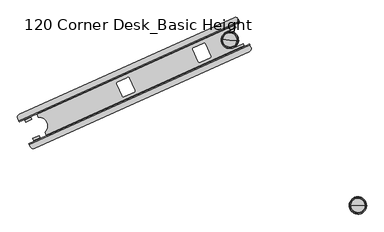
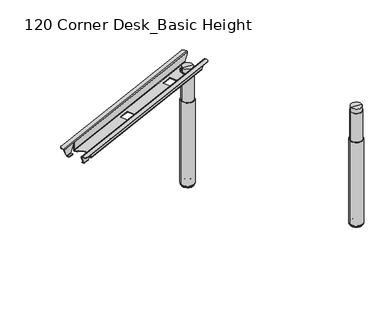
"""IFC4 building model written with IfcOpenShell, lengths in millimetres: furniture geometry, 120 Corner Desk_Basic Height."""

from ifc_helpers import new_model, si_unit, point, frame, origin, place, context, project, spatial, polyline, circle_curve, ellipse_curve, trimmed, source, transform, mapped, element, save
from ifc_brep_helpers import plane_surface, cylinder_surface, revolved_surface, advanced_brep


def furniture_120_corner_desk_basic_height_757629bd(model_context):
    return source(origin(), model_context, "Body", "AdvancedBrep", [
        advanced_brep(
        [(152.5074681, 221.3662878, 698.6714043), (150.4453506, 225.943718, 693.6399265), (150.4453506, 225.943718, 689.0971902), (151.6728418, 223.2189677, 689.0971902), (151.6728418, 223.2189677, 693.6399265), (152.5074681, 221.3662878, 695.6719265), (156.1827463, 213.208009, 695.6719265), (156.1827463, 213.208009, 698.6714043), (110.4369016, 314.7533439, 693.6399265), (108.3747841, 319.3307741, 698.6714043), (104.6994573, 327.489161, 698.6714043), (104.6994573, 327.489161, 695.6719265), (108.3747841, 319.3307741, 695.6719265), (109.2094105, 317.4780942, 693.6399265), (109.2094105, 317.4780942, 689.0971902), (110.4369016, 314.7533439, 689.0971902), (1048.6649841, 625.0823475, 695.6719265), (1047.8303578, 626.9350274, 693.6399265), (1047.8303578, 626.9350274, 689.0971902), (1046.6028666, 629.6597777, 689.0971902), (1046.6028666, 629.6597777, 693.6399265), (1048.6649841, 625.0823475, 698.6714043), (1052.3402623, 616.9240687, 698.6714043), (1052.3402623, 616.9240687, 695.6719265), (1005.3669265, 721.1941539, 693.6399265), (1004.5323002, 723.0468338, 695.6719265), (1000.8569733, 731.2052207, 695.6719265), (1000.8569733, 731.2052207, 698.6714043), (1004.5323002, 723.0468338, 698.6714043), (1006.5944177, 718.4694036, 693.6399265), (1006.5944177, 718.4694036, 689.0971902), (1005.3669265, 721.1941539, 689.0971902), (223.5280731, 253.3608404, 695.6719265), (225.2879288, 249.4543627, 695.6719265), (226.0440324, 249.7949849, 695.6719265), (224.2841767, 253.7014626, 695.6719265), (1045.8964031, 600.0919036, 695.6719265), (172.9784101, 206.8451738, 695.6719265), (179.3953854, 351.325325, 695.6719265), (111.0622924, 344.284825, 695.6719265), (984.0613093, 737.5680558, 695.6719265), (180.151489, 351.6659473, 695.6719265), (178.3915846, 355.5725331, 695.6719265), (177.635481, 355.2319108, 695.6719265), (172.9784101, 206.8451738, 698.6714043), (1045.8964031, 600.0919036, 698.6714043), (984.0613093, 737.5680558, 698.6714043), (111.0622924, 344.284825, 698.6714043), (222.222059, 258.2788928, 693.6399265), (222.7856715, 257.0278019, 697.0932388), (220.3849808, 257.451295, 693.6399265), (1026.6854753, 620.6870574, 651.2602168), (222.222059, 258.2788928, 651.2602168), (197.8400055, 247.2948566, 651.2602168), (170.3627419, 234.9164383, 651.2602168), (197.1799507, 247.2441877, 650.1931133), (195.9353789, 249.2879574, 648.6513268), (170.1185421, 237.657556, 648.6513268), (170.832117, 235.3746213, 650.1930164), (221.1543278, 260.6490122, 648.6513268), (1026.0313015, 620.6390853, 650.1930164), (1024.7942127, 622.6861787, 648.6513268), (191.8507602, 258.354878, 648.6513268), (166.0339233, 246.7244777, 648.6513268), (162.1469247, 324.290607, 648.6513268), (158.0623891, 333.3573428, 648.6513268), (132.2455555, 321.7269429, 648.6513268), (136.3300903, 312.6602079, 648.6513268), (183.2813379, 344.7183976, 648.6513268), (188.3144634, 333.546009, 648.6513268), (216.1211192, 271.8215854, 648.6513268), (1020.7095939, 631.7531004, 648.6513268), (981.188778, 613.949099, 648.6513268), (951.4849425, 679.884828, 648.6513268), (991.0057609, 697.6888306, 648.6513268), (986.9212261, 706.7555655, 648.6513268), (557.470799, 491.9835454, 648.6513268), (579.9181224, 442.1556156, 648.6513268), (577.3729886, 435.4373499, 648.6513268), (536.5402032, 417.0423104, 648.6513268), (529.8219375, 419.5874441, 648.6513268), (507.3746141, 469.415374, 648.6513268), (509.9197479, 476.1336397, 648.6513268), (550.7525333, 494.5286792, 648.6513268), (866.7635816, 631.3189569, 648.6513268), (889.210905, 581.491027, 648.6513268), (886.6657712, 574.7727613, 648.6513268), (845.8329857, 556.3777218, 648.6513268), (839.11472, 558.9228556, 648.6513268), (816.6673967, 608.7507855, 648.6513268), (819.2125305, 615.4690512, 648.6513268), (860.0453159, 633.8640907, 648.6513268), (157.3562616, 335.6436799, 650.1931133), (157.8315531, 336.1044809, 651.2602168), (130.3542929, 323.7260642, 651.2602168), (131.0084668, 323.7740363, 650.1930164), (182.2136067, 347.0885171, 651.2602168), (986.2076512, 709.0385003, 650.1930164), (986.6770264, 709.4966833, 651.2602168), (180.3765285, 346.2609193, 693.6399265), (182.2136067, 347.0885171, 693.6399265), (181.6499943, 348.339608, 697.0932388), (179.1490372, 348.9856696, 693.6399265), (180.9861154, 349.8132674, 693.6399265), (156.6040618, 338.8292312, 651.2602168), (129.1268017, 326.4508144, 651.2602168), (985.4495352, 712.2214336, 651.2602168), (180.9861154, 349.8132674, 651.2602168), (156.0786273, 338.4797362, 650.1931133), (157.5421859, 333.122993, 645.6722168), (132.751366, 321.9548089, 645.6722168), (129.7308226, 326.6101148, 650.1930164), (183.2813379, 344.7183976, 645.6722168), (984.9300071, 711.8745787, 650.1930164), (986.4154157, 706.5276996, 645.6722168), (191.3305569, 258.1205281, 645.6722168), (195.4151757, 249.0536076, 645.6722168), (170.6243526, 237.885422, 645.6722168), (166.5397337, 246.9523437, 645.6722168), (161.6267214, 324.0562572, 645.6722168), (136.8359008, 312.8880739, 645.6722168), (221.1543278, 260.6490122, 645.6722168), (216.1211192, 271.8215854, 645.6722168), (188.3144634, 333.546009, 645.6722168), (990.4999504, 697.4609646, 645.6722168), (951.4849425, 679.884828, 645.6722168), (981.188778, 613.949099, 645.6722168), (1020.2037834, 631.5252344, 645.6722168), (1024.2884023, 622.4583127, 645.6722168), (579.9181224, 442.1556156, 645.6722168), (557.470799, 491.9835454, 645.6722168), (550.7525333, 494.5286792, 645.6722168), (509.9197479, 476.1336397, 645.6722168), (507.3746141, 469.415374, 645.6722168), (529.8219375, 419.5874441, 645.6722168), (536.5402032, 417.0423104, 645.6722168), (577.3729886, 435.4373499, 645.6722168), (889.210905, 581.491027, 645.6722168), (866.7635816, 631.3189569, 645.6722168), (860.0453159, 633.8640907, 645.6722168), (819.2125305, 615.4690512, 645.6722168), (816.6673967, 608.7507855, 645.6722168), (839.11472, 558.9228556, 645.6722168), (845.8329857, 556.3777218, 645.6722168), (886.6657712, 574.7727613, 645.6722168), (198.457585, 244.4081315, 650.1931133), (199.0674967, 244.5701063, 651.2602168), (171.590233, 232.191688, 651.2602168), (172.1097612, 232.5385429, 650.1930164), (223.4495503, 255.5541425, 651.2602168), (1027.3089457, 617.8030068, 650.1930164), (1027.9129665, 617.9623071, 651.2602168), (221.6124721, 254.7265447, 693.6399265), (223.4495503, 255.5541425, 693.6399265), (178.3915846, 355.5725331, 697.0932388), (226.0440324, 249.7949849, 697.0932388)],
        [
            (0, 1, circle_curve(frame((152.5119912, 221.3562474, 693.6399265), z_axis=(-0.9117519339151808, -0.4107412944931736, 0.0), x_axis=(0.4107412944931736, -0.9117519339151808, 0.0)), 5.0314898)),
            (1, 2),
            (2, 3),
            (3, 4),
            (4, 5, circle_curve(frame((152.5074681, 221.3662878, 693.6399265), z_axis=(0.9117519339151808, 0.4107412944931736, 0.0), x_axis=(0.4107412944931736, -0.9117519339151808, 0.0)), 2.032)),
            (5, 6),
            (6, 7),
            (7, 0),
            (8, 9, circle_curve(frame((108.370261, 319.3408145, 693.6399265), z_axis=(-0.9117519339151808, -0.4107412944931736, 0.0), x_axis=(0.4107412944931736, -0.9117519339151808, 0.0)), 5.0314898)),
            (9, 10),
            (10, 11),
            (11, 12),
            (12, 13, circle_curve(frame((108.3747841, 319.3307741, 693.6399265), z_axis=(0.9117519339151808, 0.4107412944931736, 0.0), x_axis=(0.4107412944931736, -0.9117519339151808, 0.0)), 2.032)),
            (13, 14),
            (14, 15),
            (15, 8),
            (16, 17, circle_curve(frame((1048.6649841, 625.0823475, 693.6399265), z_axis=(-0.9117519339151808, -0.4107412944931736, 0.0), x_axis=(0.4107412944931736, -0.9117519339151808, 0.0)), 2.032)),
            (17, 18),
            (18, 19),
            (19, 20),
            (20, 21, circle_curve(frame((1048.6695073, 625.0723071, 693.6399265), z_axis=(0.9117519339151808, 0.4107412944931736, 0.0), x_axis=(0.4107412944931736, -0.9117519339151808, 0.0)), 5.0314898)),
            (21, 22),
            (22, 23),
            (23, 16),
            (24, 25, circle_curve(frame((1004.5323002, 723.0468338, 693.6399265), z_axis=(-0.9117519339151808, -0.4107412944931736, 0.0), x_axis=(0.4107412944931736, -0.9117519339151808, 0.0)), 2.032)),
            (25, 26),
            (26, 27),
            (27, 28),
            (28, 29, circle_curve(frame((1004.527777, 723.0568742, 693.6399265), z_axis=(0.9117519339151808, 0.4107412944931736, 0.0), x_axis=(0.4107412944931736, -0.9117519339151808, 0.0)), 5.0314898)),
            (29, 30),
            (30, 31),
            (31, 24),
            (5, 32),
            (32, 33),
            (33, 34),
            (34, 35),
            (35, 16),
            (23, 36, circle_curve(frame((1040.6799887, 611.6711532, 695.6719265), z_axis=(0.0, 0.0, -1.0), x_axis=(0.9968812328975415, -0.07891645897199012, 0.0)), 12.7)),
            (36, 37),
            (37, 6, circle_curve(frame((167.7619957, 218.4244233, 695.6719265), z_axis=(0.0, 0.0, -1.0), x_axis=(0.9968812328975415, -0.07891645897199012, 0.0)), 12.7)),
            (38, 12),
            (11, 39, circle_curve(frame((116.2787068, 332.7055754, 695.6719265), z_axis=(0.0, 0.0, -1.0), x_axis=(0.9968812328975419, -0.07891645897198368, 0.0)), 12.7)),
            (39, 40),
            (40, 26, circle_curve(frame((989.2777237, 725.9888062, 695.6719265), z_axis=(0.0, 0.0, -1.0), x_axis=(0.9968812328975419, -0.07891645897198368, 0.0)), 12.7)),
            (25, 41),
            (41, 42),
            (42, 43),
            (43, 38),
            (21, 0),
            (7, 44, circle_curve(frame((167.7619957, 218.4244233, 698.6714043), z_axis=(0.0, 0.0, 1.0), x_axis=(0.9968812328975415, -0.07891645897199012, 0.0)), 12.7)),
            (44, 45),
            (45, 22, circle_curve(frame((1040.6799887, 611.6711532, 698.6714043), z_axis=(0.0, 0.0, 1.0), x_axis=(0.9968812328975415, -0.07891645897199012, 0.0)), 12.7)),
            (9, 28),
            (27, 46, circle_curve(frame((989.2777237, 725.9888062, 698.6714043), z_axis=(0.0, 0.0, 1.0), x_axis=(0.9968812328975419, -0.07891645897198368, 0.0)), 12.7)),
            (46, 47),
            (47, 10, circle_curve(frame((116.2787068, 332.7055754, 698.6714043), z_axis=(0.0, 0.0, 1.0), x_axis=(0.9968812328975419, -0.07891645897198368, 0.0)), 12.7)),
            (20, 48),
            (48, 49, circle_curve(frame((224.2886997, 253.6914222, 693.6399265), z_axis=(0.9117519339151808, 0.4107412944931736, 0.0), x_axis=(0.4107412944931736, -0.9117519339151808, 0.0)), 5.0314898)),
            (49, 50, ellipse_curve(frame((222.4516216, 252.8638245, 693.6399265), z_axis=(-0.7875068062240813, -0.3547693028906139, 0.5039561209840149), x_axis=(-0.4594829911420227, -0.2069955379433077, -0.8637292562619033)), 5.825309, 5.0314898)),
            (50, 1),
            (19, 51),
            (51, 52),
            (52, 48),
            (50, 53),
            (53, 54),
            (54, 2),
            (53, 55, ellipse_curve(frame((196.7672998, 249.6627351, 651.250866), z_axis=(0.7875068062240813, 0.3547693028906139, -0.5039561209840149), x_axis=(0.4594829911420227, 0.2069955379433077, 0.8637292562619033)), 3.009669, 2.5995392)),
            (55, 56, ellipse_curve(frame((196.3893027, 249.4924486, 651.250866), z_axis=(0.8954771252473509, 0.40340958702533053, -0.1880995036006008), x_axis=(0.1715001666378758, 0.07726005499618337, 0.9821499767067999)), 2.6467843, 2.5995392)),
            (56, 57),
            (57, 58, ellipse_curve(frame((169.6771774, 237.4587227, 651.250866), z_axis=(-0.8963428695003585, -0.4037995608601031, -0.18307204850837175), x_axis=(0.16691629427331295, 0.07519525018986079, -0.9830994990614881)), 2.6442279, 2.5995392)),
            (58, 54, ellipse_curve(frame((169.2999329, 237.2887753, 651.250866), z_axis=(-0.7896003367201478, -0.3557123954143953, -0.4999999999999821), x_axis=(0.45587596695757215, 0.20537064724658396, -0.866025403784449)), 3.0016893, 2.5995392)),
            (59, 52, circle_curve(frame((221.1543278, 260.6490122, 651.250866), z_axis=(-0.9117519339151808, -0.4107412944931736, 0.0), x_axis=(0.4107412944931736, -0.9117519339151808, 0.0)), 2.5995392)),
            (51, 60, ellipse_curve(frame((1025.6128219, 623.0549595, 651.250866), z_axis=(0.789600336720151, 0.3557123954143941, -0.49999999999997835), x_axis=(0.4558759669575663, 0.20537064724658588, 0.8660254037844516)), 3.0016893, 2.5995392)),
            (60, 61, ellipse_curve(frame((1025.2355775, 622.8850121, 651.250866), z_axis=(0.896342869500359, 0.4037995608601001, -0.1830720485083751), x_axis=(0.16691629427331048, 0.075195250189877, 0.9830994990614875)), 2.6442279, 2.5995392)),
            (61, 59),
            (56, 62),
            (62, 63),
            (63, 57),
            (64, 65),
            (65, 66),
            (66, 67),
            (67, 64),
            (68, 69),
            (69, 70, circle_curve(frame((190.6245185, 297.4610649, 648.6513268), z_axis=(0.0, 0.0, -1.0), x_axis=(-0.6014092278380982, -0.7989411371754384, 0.0)), 36.1588101)),
            (70, 59),
            (61, 71),
            (71, 72),
            (72, 73, circle_curve(frame((966.3368603, 646.9169635, 648.6513268), z_axis=(0.0, 0.0, -1.0), x_axis=(0.9968812328975419, -0.07891645897198368, 0.0)), 36.1588101)),
            (73, 74),
            (74, 75),
            (75, 68),
            (76, 77),
            (77, 78, circle_curve(frame((575.2864226, 440.0690496, 648.6513268), z_axis=(0.0, 0.0, -1.0), x_axis=(0.9968812328975419, -0.07891645897198368, 0.0)), 5.08)),
            (78, 79),
            (79, 80, circle_curve(frame((534.4536372, 421.6740101, 648.6513268), z_axis=(0.0, 0.0, -1.0), x_axis=(0.9968812328975419, -0.07891645897198368, 0.0)), 5.08)),
            (80, 81),
            (81, 82, circle_curve(frame((512.0063138, 471.50194, 648.6513268), z_axis=(0.0, 0.0, -1.0), x_axis=(0.9968812328975419, -0.07891645897198368, 0.0)), 5.08)),
            (82, 83),
            (83, 76, circle_curve(frame((552.8390992, 489.8969795, 648.6513268), z_axis=(0.0, 0.0, -1.0), x_axis=(0.9968812328975419, -0.07891645897198368, 0.0)), 5.08)),
            (84, 85),
            (85, 86, circle_curve(frame((884.5792052, 579.4044611, 648.6513268), z_axis=(0.0, 0.0, -1.0), x_axis=(0.9968812328975419, -0.07891645897198368, 0.0)), 5.08)),
            (86, 87),
            (87, 88, circle_curve(frame((843.7464198, 561.0094216, 648.6513268), z_axis=(0.0, 0.0, -1.0), x_axis=(0.9968812328975419, -0.07891645897198368, 0.0)), 5.08)),
            (88, 89),
            (89, 90, circle_curve(frame((821.2990964, 610.8373514, 648.6513268), z_axis=(0.0, 0.0, -1.0), x_axis=(0.9968812328975419, -0.07891645897198368, 0.0)), 5.08)),
            (90, 91),
            (91, 84, circle_curve(frame((862.1318818, 629.2323909, 648.6513268), z_axis=(0.0, 0.0, -1.0), x_axis=(0.9968812328975419, -0.07891645897198368, 0.0)), 5.08)),
            (92, 93, ellipse_curve(frame((158.89431, 333.7321205, 651.250866), z_axis=(0.7875068062240813, 0.3547693028906139, -0.5039561209840149), x_axis=(0.4594829911420227, 0.2069955379433077, 0.8637292562619033)), 3.009669, 2.5995392)),
            (93, 94),
            (94, 95, ellipse_curve(frame((131.4269463, 321.3581621, 651.250866), z_axis=(-0.7896003367201478, -0.3557123954143953, -0.4999999999999821), x_axis=(0.45587596695757215, 0.20537064724658396, -0.866025403784449)), 3.0016893, 2.5995392)),
            (95, 66, ellipse_curve(frame((131.8041908, 321.5281095, 651.250866), z_axis=(-0.8963428695003585, -0.4037995608601031, -0.18307204850837175), x_axis=(0.16691629427331295, 0.07519525018986079, -0.9830994990614881)), 2.6442279, 2.5995392)),
            (65, 92, ellipse_curve(frame((158.5163129, 333.561834, 651.250866), z_axis=(0.8954771252473509, 0.40340958702533053, -0.1880995036006008), x_axis=(0.1715001666378758, 0.07726005499618337, 0.9821499767067999)), 2.6467843, 2.5995392)),
            (96, 68, circle_curve(frame((183.2813379, 344.7183976, 651.250866), z_axis=(-0.9117519339151808, -0.4107412944931736, 0.0), x_axis=(0.4107412944931736, -0.9117519339151808, 0.0)), 2.5995392)),
            (75, 97, ellipse_curve(frame((987.3625908, 706.9543989, 651.250866), z_axis=(0.896342869500359, 0.4037995608601001, -0.1830720485083751), x_axis=(0.16691629427331048, 0.075195250189877, 0.9830994990614875)), 2.6442279, 2.5995392)),
            (97, 98, ellipse_curve(frame((987.7398353, 707.1243463, 651.250866), z_axis=(0.789600336720151, 0.3557123954143941, -0.49999999999997835), x_axis=(0.4558759669575663, 0.20537064724658588, 0.8660254037844516)), 3.0016893, 2.5995392)),
            (98, 96),
            (99, 8),
            (15, 94),
            (93, 99),
            (29, 100),
            (100, 96),
            (98, 30),
            (99, 101, ellipse_curve(frame((178.3098876, 350.8483898, 693.6399265), z_axis=(-0.7875068062240813, -0.3547693028906139, 0.5039561209840149), x_axis=(-0.4594829911420227, -0.2069955379433077, -0.8637292562619033)), 5.825309, 5.0314898)),
            (101, 100, circle_curve(frame((180.146966, 351.6759877, 693.6399265), z_axis=(0.9117519339151808, 0.4107412944931736, 0.0), x_axis=(0.4107412944931736, -0.9117519339151808, 0.0)), 5.0314898)),
            (38, 102, ellipse_curve(frame((178.3144108, 350.8383495, 693.6399265), z_axis=(0.7875068062240813, 0.3547693028906139, -0.5039561209840149), x_axis=(0.4594829911420227, 0.2069955379433077, 0.8637292562619033)), 2.3525891, 2.032)),
            (102, 13),
            (24, 103),
            (103, 41, circle_curve(frame((180.1514891, 351.6659473, 693.6399265), z_axis=(-0.9117519339151808, -0.4107412944931736, 0.0), x_axis=(0.4107412944931736, -0.9117519339151808, 0.0)), 2.032)),
            (102, 104),
            (104, 105),
            (105, 14),
            (31, 106),
            (106, 107),
            (107, 103),
            (104, 108, ellipse_curve(frame((158.8992844, 333.7343614, 651.2602168), z_axis=(-0.7875068062240813, -0.3547693028906139, 0.5039561209840149), x_axis=(-0.4594829911420227, -0.2069955379433077, -0.8637292562619033)), 6.4696199, 5.588)),
            (108, 109, ellipse_curve(frame((158.5179457, 333.5625696, 651.2602168), z_axis=(-0.8954771252473509, -0.40340958702533053, 0.1880995036006008), x_axis=(-0.1715001666378758, -0.07726005499618337, -0.9821499767067999)), 5.6895588, 5.588)),
            (109, 110),
            (110, 111, ellipse_curve(frame((131.8026032, 321.5273943, 651.2602168), z_axis=(0.8963428695003585, 0.4037995608601031, 0.18307204850837175), x_axis=(-0.16691629427331295, -0.07519525018986079, 0.9830994990614881)), 5.6840635, 5.588)),
            (111, 105, ellipse_curve(frame((131.4220241, 321.3559446, 651.2602168), z_axis=(0.7896003367201478, 0.3557123954143953, 0.4999999999999821), x_axis=(-0.45587596695757215, -0.20537064724658396, 0.866025403784449)), 6.4524666, 5.588)),
            (112, 107, circle_curve(frame((183.2813379, 344.7183976, 651.2602168), z_axis=(0.9117519339151808, 0.4107412944931736, 0.0), x_axis=(0.4107412944931736, -0.9117519339151808, 0.0)), 5.588)),
            (106, 113, ellipse_curve(frame((987.7447576, 707.1265638, 651.2602168), z_axis=(-0.789600336720151, -0.3557123954143941, 0.49999999999997835), x_axis=(-0.4558759669575663, -0.20537064724658588, -0.8660254037844516)), 6.4524666, 5.588)),
            (113, 114, ellipse_curve(frame((987.3641785, 706.9551141, 651.2602168), z_axis=(-0.896342869500359, -0.4037995608601001, 0.1830720485083751), x_axis=(-0.16691629427331048, -0.075195250189877, -0.9830994990614875)), 5.6840635, 5.588)),
            (114, 112),
            (115, 116),
            (116, 117),
            (117, 118),
            (118, 115),
            (109, 119),
            (119, 120),
            (120, 110),
            (121, 122),
            (122, 123, circle_curve(frame((190.6245185, 297.4610649, 645.6722168), z_axis=(0.0, 0.0, 1.0), x_axis=(-0.6014092278380982, -0.7989411371754384, 0.0)), 36.1588101)),
            (123, 112),
            (114, 124),
            (124, 125),
            (125, 126, circle_curve(frame((966.3368603, 646.9169635, 645.6722168), z_axis=(0.0, 0.0, 1.0), x_axis=(0.9968812328975419, -0.07891645897198368, 0.0)), 36.1588101)),
            (126, 127),
            (127, 128),
            (128, 121),
            (129, 130),
            (130, 131, circle_curve(frame((552.8390992, 489.8969795, 645.6722168), z_axis=(0.0, 0.0, 1.0), x_axis=(0.9968812328975419, -0.07891645897198368, 0.0)), 5.08)),
            (131, 132),
            (132, 133, circle_curve(frame((512.0063138, 471.50194, 645.6722168), z_axis=(0.0, 0.0, 1.0), x_axis=(0.9968812328975419, -0.07891645897198368, 0.0)), 5.08)),
            (133, 134),
            (134, 135, circle_curve(frame((534.4536372, 421.6740101, 645.6722168), z_axis=(0.0, 0.0, 1.0), x_axis=(0.9968812328975419, -0.07891645897198368, 0.0)), 5.08)),
            (135, 136),
            (136, 129, circle_curve(frame((575.2864226, 440.0690496, 645.6722168), z_axis=(0.0, 0.0, 1.0), x_axis=(0.9968812328975419, -0.07891645897198368, 0.0)), 5.08)),
            (137, 138),
            (138, 139, circle_curve(frame((862.1318818, 629.2323909, 645.6722168), z_axis=(0.0, 0.0, 1.0), x_axis=(0.9968812328975419, -0.07891645897198368, 0.0)), 5.08)),
            (139, 140),
            (140, 141, circle_curve(frame((821.2990964, 610.8373514, 645.6722168), z_axis=(0.0, 0.0, 1.0), x_axis=(0.9968812328975419, -0.07891645897198368, 0.0)), 5.08)),
            (141, 142),
            (142, 143, circle_curve(frame((843.7464198, 561.0094216, 645.6722168), z_axis=(0.0, 0.0, 1.0), x_axis=(0.9968812328975419, -0.07891645897198368, 0.0)), 5.08)),
            (143, 144),
            (144, 137, circle_curve(frame((884.5792052, 579.4044611, 645.6722168), z_axis=(0.0, 0.0, 1.0), x_axis=(0.9968812328975419, -0.07891645897198368, 0.0)), 5.08)),
            (145, 146, ellipse_curve(frame((196.7722742, 249.664976, 651.2602168), z_axis=(-0.7875068062240813, -0.3547693028906139, 0.5039561209840149), x_axis=(-0.4594829911420227, -0.2069955379433077, -0.8637292562619033)), 6.4696199, 5.588)),
            (146, 147),
            (147, 148, ellipse_curve(frame((169.2950107, 237.2865578, 651.2602168), z_axis=(0.7896003367201478, 0.3557123954143953, 0.4999999999999821), x_axis=(-0.45587596695757215, -0.20537064724658396, 0.866025403784449)), 6.4524666, 5.588)),
            (148, 117, ellipse_curve(frame((169.6755898, 237.4580074, 651.2602168), z_axis=(0.8963428695003585, 0.4037995608601031, 0.18307204850837175), x_axis=(-0.16691629427331295, -0.07519525018986079, 0.9830994990614881)), 5.6840635, 5.588)),
            (116, 145, ellipse_curve(frame((196.3909355, 249.4931842, 651.2602168), z_axis=(-0.8954771252473509, -0.40340958702533053, 0.1880995036006008), x_axis=(-0.1715001666378758, -0.07726005499618337, -0.9821499767067999)), 5.6895588, 5.588)),
            (149, 121, circle_curve(frame((221.154328, 260.6490123, 651.2602168), z_axis=(0.9117519339151808, 0.4107412944931736, 0.0), x_axis=(0.4107412944931736, -0.9117519339151808, 0.0)), 5.588)),
            (128, 150, ellipse_curve(frame((1025.2371651, 622.8857273, 651.2602168), z_axis=(-0.896342869500359, -0.4037995608601001, 0.1830720485083751), x_axis=(-0.16691629427331048, -0.075195250189877, -0.9830994990614875)), 5.6840635, 5.588)),
            (150, 151, ellipse_curve(frame((1025.6177442, 623.0571769, 651.2602168), z_axis=(-0.789600336720151, -0.3557123954143941, 0.49999999999997835), x_axis=(-0.4558759669575663, -0.20537064724658588, -0.8660254037844516)), 6.4524666, 5.588)),
            (151, 149),
            (152, 4),
            (3, 147),
            (146, 152),
            (17, 153),
            (153, 149),
            (151, 18),
            (152, 32, ellipse_curve(frame((222.4470985, 252.8738648, 693.6399265), z_axis=(0.7875068062240813, 0.3547693028906139, -0.5039561209840149), x_axis=(0.4594829911420227, 0.2069955379433077, 0.8637292562619033)), 2.3525891, 2.032)),
            (35, 153, circle_curve(frame((224.2841767, 253.7014626, 693.6399265), z_axis=(-0.9117519339151808, -0.4107412944931736, 0.0), x_axis=(0.4107412944931736, -0.9117519339151808, 0.0)), 2.032)),
            (92, 108),
            (43, 154),
            (154, 101),
            (145, 55),
            (49, 155),
            (155, 33),
            (154, 42),
            (123, 69),
            (70, 122),
            (34, 155),
            (64, 119),
            (115, 62),
            (118, 63),
            (67, 120),
            (125, 73),
            (72, 126),
            (71, 127),
            (124, 74),
            (129, 77),
            (76, 130),
            (83, 131),
            (82, 132),
            (81, 133),
            (80, 134),
            (79, 135),
            (78, 136),
            (137, 85),
            (84, 138),
            (91, 139),
            (90, 140),
            (89, 141),
            (88, 142),
            (87, 143),
            (86, 144),
            (46, 40),
            (39, 47),
            (45, 36),
            (37, 44),
            (111, 95),
            (58, 148),
            (150, 60),
            (97, 113),
        ],
        [
            plane_surface(frame((154.2673237, 217.45981, 695.6719265), z_axis=(-0.9117519339151808, -0.41074129449317354, 0.0), x_axis=(0.41074129449317354, -0.9117519339151808, 0.0))),
            plane_surface(frame((1050.4248397, 621.1758697, 695.6719265), z_axis=(0.9117519339151808, 0.41074129449317354, 0.0), x_axis=(-0.41074129449317354, 0.9117519339151808, 0.0))),
            plane_surface(frame((152.5074681, 221.3662878, 695.6719265), z_axis=(0.0, 0.0, -1.0000000000000002), x_axis=(0.9117519339151808, 0.4107412944931735, 0.0))),
            plane_surface(frame((154.2673237, 217.45981, 698.6714043), z_axis=(2.893674971938622e-12, -6.423298039809931e-12, 1.0), x_axis=(0.9117519339151807, 0.41074129449317354, 0.0))),
            cylinder_surface(frame((1048.6695073, 625.0723071, 693.6399265), z_axis=(-0.9117519339151808, -0.4107412944931736, 0.0), x_axis=(0.4107412944931736, -0.9117519339151808, 0.0)), 5.0314898),
            plane_surface(frame((150.4453506, 225.943718, 693.6399265), z_axis=(-0.41074129449317354, 0.9117519339151807, 0.0), x_axis=(0.9117519339151807, 0.41074129449317354, 0.0))),
            revolved_surface(polyline([(199.21792954401644, 247.91558840851178, 651.250866), (168.99927301153707, 234.30218147149964, 651.250866)]), (1045.5351354, 632.0298972, 651.250866), (0.9117519339151808, 0.4107412944931736, 0.0)),
            revolved_surface(polyline([(1028.0489580211945, 621.3012834527241, 651.250866), (222.22206587599624, 258.2788773517232, 651.250866)]), (1045.5351354, 632.0298972, 651.250866), (0.9117519339151808, 0.4107412944931736, 0.0)),
            plane_surface(frame((149.3776194, 228.3138375, 648.6513268), z_axis=(0.0, 0.0, 1.0), x_axis=(0.9117519339151807, 0.4107412944931735, 0.0))),
            revolved_surface(polyline([(161.34493972214204, 331.9849738570677, 651.250866), (131.12628637408773, 318.3715683546288, 651.250866)]), (1007.6621488, 716.0992841, 651.250866), (0.9117519339151808, 0.4107412944931736, 0.0)),
            revolved_surface(polyline([(990.175971383745, 705.3706703358532, 651.250866), (184.34907593911055, 342.34826274846694, 651.250866)]), (1007.6621488, 716.0992841, 651.250866), (0.9117519339151808, 0.4107412944931736, 0.0)),
            plane_surface(frame((110.4369016, 314.7533439, 651.2602168), z_axis=(0.41074129449317365, -0.9117519339151807, 0.0), x_axis=(0.9117519339151807, 0.41074129449317365, 0.0))),
            cylinder_surface(frame((1004.527777, 723.0568742, 693.6399265), z_axis=(-0.9117519339151808, -0.4107412944931736, 0.0), x_axis=(0.4107412944931736, -0.9117519339151808, 0.0)), 5.0314898),
            revolved_surface(polyline([(180.23001175101592, 349.47264509648863, 693.6399265), (109.20941043037578, 317.4780941259644, 693.6399265)]), (1004.5323002, 723.0468338, 693.6399265), (0.9117519339151808, 0.4107412944931736, 0.0)),
            revolved_surface(polyline([(1005.3669265128847, 721.194153871399, 693.6399265), (180.98611533592157, 349.8132673136541, 693.6399265)]), (1004.5323002, 723.0468338, 693.6399265), (0.9117519339151808, 0.4107412944931736, 0.0)),
            plane_surface(frame((109.2094105, 317.4780942, 693.6399265), z_axis=(-0.4107412944931735, 0.9117519339151807, 0.0), x_axis=(0.9117519339151807, 0.4107412944931735, 0.0))),
            cylinder_surface(frame((1007.6621488, 716.0992841, 651.2602168), z_axis=(-0.9117519339151808, -0.4107412944931736, 0.0), x_axis=(0.4107412944931736, -0.9117519339151808, 0.0)), 5.588),
            plane_surface(frame((111.5046328, 312.3832244, 645.6722168), z_axis=(0.0, 0.0, -1.0), x_axis=(0.9117519339151807, 0.4107412944931735, 0.0))),
            cylinder_surface(frame((1045.5351354, 632.0298972, 651.2602168), z_axis=(-0.9117519339151808, -0.4107412944931736, 0.0), x_axis=(0.4107412944931736, -0.9117519339151808, 0.0)), 5.588),
            plane_surface(frame((151.6728418, 223.2189677, 651.2602168), z_axis=(0.41074129449317354, -0.9117519339151807, 0.0), x_axis=(0.9117519339151807, 0.41074129449317354, 0.0))),
            revolved_surface(polyline([(224.3626994091145, 251.50816048949986, 693.6399265), (153.34209441103064, 219.51360786229912, 693.6399265)]), (1048.6649841, 625.0823475, 693.6399265), (0.9117519339151808, 0.4107412944931736, 0.0)),
            revolved_surface(polyline([(1049.4996104104102, 623.2296675702843, 693.6399265), (225.1188029084168, 251.8487826681013, 693.6399265)]), (1048.6649841, 625.0823475, 693.6399265), (0.9117519339151808, 0.4107412944931736, 0.0)),
            plane_surface(frame((146.3100196, 360.1638138, 650.1931133), z_axis=(0.7875068062240815, 0.354769302890614, -0.503956120984015), x_axis=(0.41074132932118534, -0.9117519182252735, 0.0))),
            plane_surface(frame((171.2597458, 371.4035858, 697.0932388), z_axis=(-0.9117519182252735, -0.41074132932118534, 0.0), x_axis=(0.41074132932118534, -0.9117519182252735, 0.0))),
            plane_surface(frame((145.0746262, 359.607273, 643.1182388), z_axis=(0.8954771252473511, 0.40340958702533064, -0.18809950360060085), x_axis=(0.41074132932118534, -0.9117519182252735, 0.0))),
            revolved_surface(polyline([(168.87827643821456, 268.57230403979526, 648.6513268000001), (168.87827643821456, 268.57230403979526, 645.6722168000001)]), (190.6245185, 297.4610649, 485.9002831), (0.0, 0.0, 1.0000000000000002)),
            plane_surface(frame((164.9490596, 246.2357502, 672.2060139), z_axis=(-0.41074125966517006, 0.9117519496050828, 0.0), x_axis=(0.0, 0.0, -1.0))),
            plane_surface(frame((175.7726033, 330.4289305, 672.2060139), z_axis=(0.41074125966516717, -0.9117519496050841, 0.0), x_axis=(0.0, 0.0, -1.0))),
            revolved_surface(polyline([(1002.3828994925962, 644.0634382462675, 648.6513268), (1002.3828994925962, 644.0634382462675, 645.6722168)]), (966.3368603, 646.9169635, 485.9002831), (0.0, 0.0, 1.0)),
            plane_surface(frame((981.188778, 613.949099, 672.2060139), z_axis=(-0.4107413293211847, 0.9117519182252737, 0.0), x_axis=(0.0, 0.0, -1.0))),
            plane_surface(frame((992.0123153, 698.1422801, 672.2060139), z_axis=(0.4107413293211872, -0.9117519182252726, 0.0), x_axis=(0.0, 0.0, -1.0))),
            plane_surface(frame((579.9181224, 442.1556156, 672.2060139), z_axis=(-0.9117519182252732, -0.41074132932118573, 0.0), x_axis=(0.0, 0.0, -1.0))),
            revolved_surface(polyline([(557.9032558631195, 489.49608388842233, 648.6513268), (557.9032558631195, 489.49608388842233, 645.6722168)]), (552.8390992, 489.8969795, 0.0), (0.0, 0.0, 1.0)),
            plane_surface(frame((550.7525333, 494.5286792, 672.2060139), z_axis=(0.41074132932118756, -0.9117519182252724, 0.0), x_axis=(0.0, 0.0, -1.0))),
            revolved_surface(polyline([(517.0704704631196, 471.10104438842234, 648.6513268), (517.0704704631196, 471.10104438842234, 645.6722168)]), (512.0063138, 471.50194, 0.0), (0.0, 0.0, 1.0)),
            plane_surface(frame((507.3746141, 469.415374, 672.2060139), z_axis=(0.911751918225275, 0.41074132932118174, 0.0), x_axis=(0.0, 0.0, -1.0))),
            revolved_surface(polyline([(539.5177938631196, 421.2731144884223, 648.6513268), (539.5177938631196, 421.2731144884223, 645.6722168)]), (534.4536372, 421.6740101, 0.0), (0.0, 0.0, 1.0)),
            plane_surface(frame((536.5402032, 417.0423104, 672.2060139), z_axis=(-0.4107413293211845, 0.9117519182252738, 0.0), x_axis=(0.0, 0.0, -1.0))),
            revolved_surface(polyline([(580.3505792631196, 439.6681539884224, 648.6513268), (580.3505792631196, 439.6681539884224, 645.6722168)]), (575.2864226, 440.0690496, 0.0), (0.0, 0.0, 1.0)),
            plane_surface(frame((889.210905, 581.491027, 672.2060139), z_axis=(-0.9117519182252741, -0.41074132932118357, 0.0), x_axis=(0.0, 0.0, -1.0))),
            revolved_surface(polyline([(867.1960384631195, 628.8314952884224, 648.6513268), (867.1960384631195, 628.8314952884224, 645.6722168)]), (862.1318818, 629.2323909, 0.0), (0.0, 0.0, 1.0)),
            plane_surface(frame((860.0453159, 633.8640907, 672.2060139), z_axis=(0.4107413293211903, -0.9117519182252711, 0.0), x_axis=(0.0, 0.0, -1.0))),
            revolved_surface(polyline([(826.3632530631196, 610.4364557884223, 648.6513268), (826.3632530631196, 610.4364557884223, 645.6722168)]), (821.2990964, 610.8373514, 0.0), (0.0, 0.0, 1.0)),
            plane_surface(frame((816.6673967, 608.7507855, 672.2060139), z_axis=(0.911751918225276, 0.4107413293211797, 0.0), x_axis=(0.0, 0.0, -1.0))),
            revolved_surface(polyline([(848.8105764631196, 560.6085259884223, 648.6513268), (848.8105764631196, 560.6085259884223, 645.6722168)]), (843.7464198, 561.0094216, 0.0), (0.0, 0.0, 1.0)),
            plane_surface(frame((845.8329857, 556.3777218, 672.2060139), z_axis=(-0.4107413293211893, 0.9117519182252716, 0.0), x_axis=(0.0, 0.0, -1.0))),
            revolved_surface(polyline([(889.6433618631196, 579.0035654884224, 648.6513268), (889.6433618631196, 579.0035654884224, 645.6722168)]), (884.5792052, 579.4044611, 0.0), (0.0, 0.0, 1.0)),
            plane_surface(frame((984.0613093, 737.5680558, 698.6714043), z_axis=(-0.41074129449317365, 0.9117519339151807, 0.0), x_axis=(0.0, 0.0, -1.0))),
            cylinder_surface(frame((116.2787068, 332.7055754, 695.6719265), z_axis=(0.0, 0.0, 1.0), x_axis=(0.9968812328975419, -0.07891645897198368, 0.0)), 12.7),
            plane_surface(frame((106.6148799, 323.23736, 698.6714043), z_axis=(0.4107412944931748, -0.9117519339151802, 0.0), x_axis=(0.0, 0.0, -1.0))),
            cylinder_surface(frame((989.2777237, 725.9888062, 695.6719265), z_axis=(0.0, 0.0, 1.0), x_axis=(0.9968812328975419, -0.07891645897198368, 0.0)), 12.7),
            cylinder_surface(frame((1040.6799887, 611.6711532, 0.0), z_axis=(0.0, 0.0, 1.0000000000000002), x_axis=(0.9968812328975415, -0.07891645897199012, 0.0)), 12.7),
            plane_surface(frame((1050.3438157, 621.1393686, 698.6714043), z_axis=(-0.4107412944931659, 0.9117519339151843, 0.0), x_axis=(0.0, 0.0, -1.0))),
            cylinder_surface(frame((167.7619957, 218.4244233, 0.0), z_axis=(0.0, 0.0, 1.0000000000000002), x_axis=(0.9968812328975415, -0.07891645897199012, 0.0)), 12.7),
            plane_surface(frame((172.9784101, 206.8451738, 698.6714043), z_axis=(0.41074129449319224, -0.9117519339151723, 0.0), x_axis=(0.0, 0.0, -1.0))),
            plane_surface(frame((89.1551086, 348.5362653, 698.6714043), z_axis=(-0.7896003367201478, -0.3557123954143953, -0.4999999999999821), x_axis=(0.41074129449317054, -0.9117519339151821, 0.0))),
            plane_surface(frame((114.6741428, 360.0325077, 650.1930164), z_axis=(-0.8963428695003582, -0.403799560860103, -0.18307204850837172), x_axis=(0.41074129449317054, -0.9117519339151821, 0.0))),
            plane_surface(frame((969.8733273, 745.2969716, 650.1930164), z_axis=(0.7896003367201507, 0.35571239541439403, -0.49999999999997824), x_axis=(0.41074129449316804, -0.9117519339151832, 0.0))),
            plane_surface(frame((967.7534903, 744.3419919, 637.7076528), z_axis=(0.896342869500359, 0.4037995608601001, -0.1830720485083751), x_axis=(0.4107412944931678, -0.9117519339151834, 0.0))),
        ],
        [
            (0, [[1, 2, 3, 4, 5, 6, 7, 8]]),
            (0, [[9, 10, 11, 12, 13, 14, 15, 16]]),
            (1, [[17, 18, 19, 20, 21, 22, 23, 24]]),
            (1, [[25, 26, 27, 28, 29, 30, 31, 32]]),
            (2, [[33, 34, 35, 36, 37, -24, 38, 39, 40, -6]]),
            (2, [[41, -12, 42, 43, 44, -26, 45, 46, 47, 48]]),
            (3, [[49, -8, 50, 51, 52, -22]]),
            (3, [[53, -28, 54, 55, 56, -10]]),
            (4, [[-1, -49, -21, 57, 58, 59, 60]]),
            (5, [[-57, -20, 61, 62, 63]]),
            (5, [[-60, 64, 65, 66, -2]]),
            (6, [[67, 68, 69, 70, 71, -65]]),
            (7, [[72, -62, 73, 74, 75]]),
            (8, [[76, 77, 78, -69]]),
            (8, [[79, 80, 81, 82]]),
            (8, [[83, 84, 85, -75, 86, 87, 88, 89, 90, 91], [92, 93, 94, 95, 96, 97, 98, 99], [100, 101, 102, 103, 104, 105, 106, 107]]),
            (9, [[108, 109, 110, 111, -80, 112]]),
            (10, [[113, -91, 114, 115, 116]]),
            (11, [[117, -16, 118, -109, 119]]),
            (11, [[120, 121, -116, 122, -30]]),
            (12, [[-9, -117, 123, 124, -120, -29, -53]]),
            (13, [[-13, -41, 125, 126]]),
            (14, [[-25, 127, 128, -45]]),
            (15, [[-126, 129, 130, 131, -14]]),
            (15, [[-127, -32, 132, 133, 134]]),
            (16, [[135, 136, 137, 138, 139, -130]]),
            (16, [[140, -133, 141, 142, 143]]),
            (17, [[144, 145, 146, 147]]),
            (17, [[148, 149, 150, -137]]),
            (17, [[151, 152, 153, -143, 154, 155, 156, 157, 158, 159], [160, 161, 162, 163, 164, 165, 166, 167], [168, 169, 170, 171, 172, 173, 174, 175]]),
            (18, [[176, 177, 178, 179, -145, 180]]),
            (18, [[181, -159, 182, 183, 184]]),
            (19, [[185, -4, 186, -177, 187]]),
            (19, [[188, 189, -184, 190, -18]]),
            (20, [[-5, -185, 191, -33]]),
            (21, [[-17, -37, 192, -188]]),
            (22, [[193, -135, -129, -125, -48, 194, 195, -123, -119, -108]]),
            (22, [[196, -67, -64, -59, 197, 198, -34, -191, -187, -176]]),
            (23, [[-195, 199, -46, -128, -134, -140, -153, 200, -83, -113, -121, -124]]),
            (23, [[-197, -58, -63, -72, -85, 201, -151, -181, -189, -192, -36, 202]]),
            (24, [[-193, -112, -79, 203, -148, -136]]),
            (24, [[-196, -180, -144, 204, -76, -68]]),
            (25, [[-84, -200, -152, -201]]),
            (26, [[-204, -147, 205, -77]]),
            (27, [[-203, -82, 206, -149]]),
            (28, [[207, -88, 208, -156]]),
            (29, [[-208, -87, 209, -157]]),
            (30, [[-207, -155, 210, -89]]),
            (31, [[211, -92, 212, -160]]),
            (32, [[-212, -99, 213, -161]]),
            (33, [[-213, -98, 214, -162]]),
            (34, [[-214, -97, 215, -163]]),
            (35, [[-215, -96, 216, -164]]),
            (36, [[-216, -95, 217, -165]]),
            (37, [[-217, -94, 218, -166]]),
            (38, [[-211, -167, -218, -93]]),
            (39, [[219, -100, 220, -168]]),
            (40, [[-220, -107, 221, -169]]),
            (41, [[-221, -106, 222, -170]]),
            (42, [[-222, -105, 223, -171]]),
            (43, [[-223, -104, 224, -172]]),
            (44, [[-224, -103, 225, -173]]),
            (45, [[-225, -102, 226, -174]]),
            (46, [[-219, -175, -226, -101]]),
            (47, [[-55, 227, -43, 228]]),
            (48, [[-56, -228, -42, -11]]),
            (49, [[-47, -199, -194]]),
            (50, [[-54, -27, -44, -227]]),
            (51, [[-52, 229, -38, -23]]),
            (52, [[-35, -198, -202]]),
            (53, [[-50, -7, -40, 230]]),
            (54, [[-51, -230, -39, -229]]),
            (55, [[231, -110, -118, -15, -131, -139]]),
            (55, [[232, -178, -186, -3, -66, -71]]),
            (56, [[-231, -138, -150, -206, -81, -111]]),
            (56, [[-232, -70, -78, -205, -146, -179]]),
            (57, [[233, -73, -61, -19, -190, -183]]),
            (57, [[234, -141, -132, -31, -122, -115]]),
            (58, [[-233, -182, -158, -209, -86, -74]]),
            (58, [[-234, -114, -90, -210, -154, -142]]),
        ],
    ),
        advanced_brep(
        [(994.9774914, 644.8127477, 672.2060139), (938.8420389, 649.2566182, 672.2060139), (966.9097651, 647.034683, 672.2060139), (994.9774914, 644.8127477, 647.7686974), (938.8420389, 649.2566182, 647.7686974), (998.0682141, 644.5680757, 647.7686974), (935.7513162, 649.5012902, 647.7686974), (998.0682141, 644.5680757, 485.9002831), (935.7513162, 649.5012902, 485.9002831), (1002.0927919, 644.2494767, 485.9002831), (931.7267384, 649.8198893, 485.9002831), (1002.0927919, 644.2494767, 10.2163535), (931.7267384, 649.8198893, 10.2163535), (1000.8288154, 644.3495373, 9.4693355), (932.9907148, 649.7198287, 9.4693355), (1001.6714402, 644.2828323, 8.8323857), (932.1480901, 649.7865337, 8.8323857), (993.5364315, 644.9268268, 0.0), (940.2830988, 649.1425391, 0.0), (966.9097651, 647.034683, 0.0)],
        [
            (0, 1, circle_curve(frame((966.9097651, 647.034683, 672.2060139), z_axis=(0.0, 0.0, 1.0), x_axis=(-0.9968812328975419, 0.07891645897198368, 0.0)), 28.1555368)),
            (1, 2),
            (2, 0),
            (1, 0, circle_curve(frame((966.9097651, 647.034683, 672.2060139), z_axis=(0.0, 0.0, 1.0), x_axis=(-0.9968812328975419, 0.07891645897198368, 0.0)), 28.1555368)),
            (3, 4, circle_curve(frame((966.9097651, 647.034683, 647.7686974), z_axis=(0.0, 0.0, 1.0), x_axis=(-0.9968812328975419, 0.07891645897198368, 0.0)), 28.1555368)),
            (4, 1),
            (0, 3),
            (4, 3, circle_curve(frame((966.9097651, 647.034683, 647.7686974), z_axis=(0.0, 0.0, 1.0), x_axis=(-0.9968812328975419, 0.07891645897198368, 0.0)), 28.1555368)),
            (5, 6, circle_curve(frame((966.9097651, 647.034683, 647.7686974), z_axis=(0.0, 0.0, 1.0), x_axis=(-0.9968812328975419, 0.07891645897198368, 0.0)), 31.2559289)),
            (6, 4),
            (3, 5),
            (6, 5, circle_curve(frame((966.9097651, 647.034683, 647.7686974), z_axis=(0.0, 0.0, 1.0), x_axis=(-0.9968812328975419, 0.07891645897198368, 0.0)), 31.2559289)),
            (7, 8, circle_curve(frame((966.9097651, 647.034683, 485.9002831), z_axis=(0.0, 0.0, 1.0), x_axis=(-0.9968812328975419, 0.07891645897198368, 0.0)), 31.2559289)),
            (8, 6),
            (5, 7),
            (8, 7, circle_curve(frame((966.9097651, 647.034683, 485.9002831), z_axis=(0.0, 0.0, 1.0), x_axis=(-0.9968812328975419, 0.07891645897198368, 0.0)), 31.2559289)),
            (9, 10, circle_curve(frame((966.9097651, 647.034683, 485.9002831), z_axis=(0.0, 0.0, 1.0), x_axis=(-0.9968812328975419, 0.07891645897198368, 0.0)), 35.2930977)),
            (10, 8),
            (7, 9),
            (10, 9, circle_curve(frame((966.9097651, 647.034683, 485.9002831), z_axis=(0.0, 0.0, 1.0), x_axis=(-0.9968812328975419, 0.07891645897198368, 0.0)), 35.2930977)),
            (11, 12, circle_curve(frame((966.9097651, 647.034683, 10.2163535), z_axis=(0.0, 0.0, 1.0), x_axis=(-0.9968812328975419, 0.07891645897198368, 0.0)), 35.2930977)),
            (12, 10),
            (9, 11),
            (12, 11, circle_curve(frame((966.9097651, 647.034683, 10.2163535), z_axis=(0.0, 0.0, 1.0), x_axis=(-0.9968812328975419, 0.07891645897198368, 0.0)), 35.2930977)),
            (13, 14, circle_curve(frame((966.9097651, 647.034683, 9.4693355), z_axis=(0.0, 0.0, 1.0), x_axis=(-0.9968812328975419, 0.07891645897198368, 0.0)), 34.0251669)),
            (14, 12, circle_curve(frame((933.1784838, 649.7049642, 11.2385904), z_axis=(0.07891645897198368, 0.9968812328975419, 0.0), x_axis=(0.9968812328975419, -0.07891645897198368, 0.0)), 1.7792529)),
            (11, 13, circle_curve(frame((1000.6410464, 644.3644017, 11.2385904), z_axis=(0.07891645897198046, 0.9968812328975422, 0.0), x_axis=(-0.9968812328975422, 0.07891645897198046, 0.0)), 1.7792529)),
            (14, 13, circle_curve(frame((966.9097651, 647.034683, 9.4693355), z_axis=(0.0, 0.0, 1.0), x_axis=(-0.9968812328975419, 0.07891645897198368, 0.0)), 34.0251669)),
            (15, 16, circle_curve(frame((966.9097651, 647.034683, 8.8323857), z_axis=(0.0, 0.0, 1.0), x_axis=(-0.9968812328975419, 0.07891645897198368, 0.0)), 34.8704278)),
            (16, 14, circle_curve(frame((933.6842529, 649.6649259, 7.6667755), z_axis=(0.07891645897198368, 0.9968812328975419, 0.0), x_axis=(0.9968812328975419, -0.07891645897198368, 0.0)), 1.9321573)),
            (13, 15, circle_curve(frame((1000.1352773, 644.4044401, 7.6667755), z_axis=(0.07891645897198046, 0.9968812328975422, 0.0), x_axis=(-0.9968812328975422, 0.07891645897198046, 0.0)), 1.9321573)),
            (16, 15, circle_curve(frame((966.9097651, 647.034683, 8.8323857), z_axis=(0.0, 0.0, 1.0), x_axis=(-0.9968812328975419, 0.07891645897198368, 0.0)), 34.8704278)),
            (17, 18, circle_curve(frame((966.9097651, 647.034683, 0.0), z_axis=(0.0, 0.0, 1.0), x_axis=(-0.9968812328975419, 0.07891645897198368, 0.0)), 26.7099685)),
            (18, 16, circle_curve(frame((940.2830988, 649.1425391, 8.1860178), z_axis=(0.07891645897198368, 0.9968812328975419, 0.0), x_axis=(0.9968812328975419, -0.07891645897198368, 0.0)), 8.1860178)),
            (15, 17, circle_curve(frame((993.5364315, 644.9268268, 8.1860178), z_axis=(0.07891645897198046, 0.9968812328975422, 0.0), x_axis=(-0.9968812328975422, 0.07891645897198046, 0.0)), 8.1860178)),
            (18, 17, circle_curve(frame((966.9097651, 647.034683, 0.0), z_axis=(0.0, 0.0, 1.0), x_axis=(-0.9968812328975419, 0.07891645897198368, 0.0)), 26.7099685)),
            (19, 18),
            (17, 19),
        ],
        [
            plane_surface(frame((966.9097651, 647.034683, 672.2060139), z_axis=(0.0, 0.0, 1.0), x_axis=(-0.9968812328975419, 0.07891645897198368, 0.0))),
            cylinder_surface(frame((966.9097651, 647.034683, -31.75), z_axis=(0.0, 0.0, -1.0), x_axis=(-0.9968812328975419, 0.07891645897198368, 0.0)), 28.1555368),
            plane_surface(frame((966.9097651, 647.034683, 647.7686974), z_axis=(0.0, 0.0, 1.0), x_axis=(-0.9968812328975419, 0.07891645897198368, 0.0))),
            cylinder_surface(frame((966.9097651, 647.034683, -31.75), z_axis=(0.0, 0.0, -1.0), x_axis=(-0.9968812328975419, 0.07891645897198368, 0.0)), 31.2559289),
            plane_surface(frame((966.9097651, 647.034683, 485.9002831), z_axis=(0.0, 0.0, 1.0), x_axis=(-0.9968812328975419, 0.07891645897198368, 0.0))),
            cylinder_surface(frame((966.9097651, 647.034683, -31.75), z_axis=(0.0, 0.0, -1.0), x_axis=(-0.9968812328975419, 0.07891645897198368, 0.0)), 35.2930977),
            revolved_surface(trimmed(ellipse_curve(frame((933.1784838, 649.7049642, 11.2385904), z_axis=(-0.07891645897198368, -0.9968812328975419, 0.0), x_axis=(0.9968812328975419, -0.07891645897198368, 0.0)), 1.7792529, 1.7792529), [point((931.7267384, 649.8198893, 10.2163535))], [point((932.9907148, 649.7198287, 9.4693355))], True, "CARTESIAN"), (966.9097651, 647.034683, -31.75), (0.0, 0.0, -1.0)),
            revolved_surface(trimmed(ellipse_curve(frame((933.6842529, 649.6649259, 7.6667755), z_axis=(-0.07891645897198368, -0.9968812328975419, 0.0), x_axis=(0.9968812328975419, -0.07891645897198368, 0.0)), 1.9321573, 1.9321573), [point((932.9907148, 649.7198287, 9.4693355))], [point((932.1480901, 649.7865337, 8.8323857))], True, "CARTESIAN"), (966.9097651, 647.034683, -31.75), (0.0, 0.0, -1.0)),
            revolved_surface(trimmed(ellipse_curve(frame((940.2830988, 649.1425391, 8.1860178), z_axis=(-0.07891645897198368, -0.9968812328975419, 0.0), x_axis=(0.9968812328975419, -0.07891645897198368, 0.0)), 8.1860178, 8.1860178), [point((932.1480901, 649.7865337, 8.8323857))], [point((940.2830988, 649.1425391, 0.0))], True, "CARTESIAN"), (966.9097651, 647.034683, -31.75), (0.0, 0.0, -1.0)),
            plane_surface(frame((966.9097651, 647.034683, 0.0), z_axis=(0.0, 0.0, -1.0), x_axis=(-0.9968812328975419, 0.07891645897198368, 0.0))),
        ],
        [
            (0, [[1, 2, 3]]),
            (0, [[4, -3, -2]]),
            (1, [[5, 6, -1, 7]]),
            (1, [[8, -7, -4, -6]]),
            (2, [[9, 10, -5, 11]]),
            (2, [[12, -11, -8, -10]]),
            (3, [[13, 14, -9, 15]]),
            (3, [[16, -15, -12, -14]]),
            (4, [[17, 18, -13, 19]]),
            (4, [[20, -19, -16, -18]]),
            (5, [[21, 22, -17, 23]]),
            (5, [[24, -23, -20, -22]]),
            (6, [[25, 26, -21, 27]]),
            (6, [[28, -27, -24, -26]]),
            (7, [[29, 30, -25, 31]]),
            (7, [[32, -31, -28, -30]]),
            (8, [[33, 34, -29, 35]]),
            (8, [[36, -35, -32, -34]]),
            (9, [[37, -33, 38]]),
            (9, [[-38, -36, -37]]),
        ],
    ),
        advanced_brep(
        [(1515.3684173, -26.5049946, 672.2060139), (1459.1058504, -24.1682067, 672.2060139), (1487.2371339, -25.3366006, 672.2060139), (1515.3684173, -26.5049946, 647.7686974), (1459.1058504, -24.1682067, 647.7686974), (1518.4661387, -26.6336542, 647.7686974), (1456.008129, -24.0395471, 647.7686974), (1518.4661387, -26.6336542, 485.9002831), (1456.008129, -24.0395471, 485.9002831), (1522.4998299, -26.8011879, 485.9002831), (1451.9744379, -23.8720133, 485.9002831), (1522.4998299, -26.8011879, 10.2163535), (1451.9744379, -23.8720133, 10.2163535), (1521.2329913, -26.7485715, 9.4693355), (1453.2412765, -23.9246297, 9.4693355), (1522.0775241, -26.783648, 8.8323857), (1452.3967437, -23.8895532, 8.8323857), (1513.9240943, -26.4450066, 0.0), (1460.5501735, -24.2281946, 0.0), (1487.2371339, -25.3366006, 0.0)],
        [
            (0, 1, circle_curve(frame((1487.2371339, -25.3366006, 672.2060139), z_axis=(0.0, 0.0, 1.0), x_axis=(-0.9991385936389272, 0.04149783971758993, 0.0)), 28.1555368)),
            (1, 2),
            (2, 0),
            (1, 0, circle_curve(frame((1487.2371339, -25.3366006, 672.2060139), z_axis=(0.0, 0.0, 1.0), x_axis=(-0.9991385936389272, 0.04149783971758993, 0.0)), 28.1555368)),
            (3, 4, circle_curve(frame((1487.2371339, -25.3366006, 647.7686974), z_axis=(0.0, 0.0, 1.0), x_axis=(-0.9991385936389272, 0.04149783971758993, 0.0)), 28.1555368)),
            (4, 1),
            (0, 3),
            (4, 3, circle_curve(frame((1487.2371339, -25.3366006, 647.7686974), z_axis=(0.0, 0.0, 1.0), x_axis=(-0.9991385936389272, 0.04149783971758993, 0.0)), 28.1555368)),
            (5, 6, circle_curve(frame((1487.2371339, -25.3366006, 647.7686974), z_axis=(0.0, 0.0, 1.0), x_axis=(-0.9991385936389272, 0.04149783971758993, 0.0)), 31.2559289)),
            (6, 4),
            (3, 5),
            (6, 5, circle_curve(frame((1487.2371339, -25.3366006, 647.7686974), z_axis=(0.0, 0.0, 1.0), x_axis=(-0.9991385936389272, 0.04149783971758993, 0.0)), 31.2559289)),
            (7, 8, circle_curve(frame((1487.2371339, -25.3366006, 485.9002831), z_axis=(0.0, 0.0, 1.0), x_axis=(-0.9991385936389272, 0.04149783971758993, 0.0)), 31.2559289)),
            (8, 6),
            (5, 7),
            (8, 7, circle_curve(frame((1487.2371339, -25.3366006, 485.9002831), z_axis=(0.0, 0.0, 1.0), x_axis=(-0.9991385936389272, 0.04149783971758993, 0.0)), 31.2559289)),
            (9, 10, circle_curve(frame((1487.2371339, -25.3366006, 485.9002831), z_axis=(0.0, 0.0, 1.0), x_axis=(-0.9991385936389272, 0.04149783971758993, 0.0)), 35.2930977)),
            (10, 8),
            (7, 9),
            (10, 9, circle_curve(frame((1487.2371339, -25.3366006, 485.9002831), z_axis=(0.0, 0.0, 1.0), x_axis=(-0.9991385936389272, 0.04149783971758993, 0.0)), 35.2930977)),
            (11, 12, circle_curve(frame((1487.2371339, -25.3366006, 10.2163535), z_axis=(0.0, 0.0, 1.0), x_axis=(-0.9991385936389272, 0.04149783971758993, 0.0)), 35.2930977)),
            (12, 10),
            (9, 11),
            (12, 11, circle_curve(frame((1487.2371339, -25.3366006, 10.2163535), z_axis=(0.0, 0.0, 1.0), x_axis=(-0.9991385936389272, 0.04149783971758993, 0.0)), 35.2930977)),
            (13, 14, circle_curve(frame((1487.2371339, -25.3366006, 9.4693355), z_axis=(0.0, 0.0, 1.0), x_axis=(-0.9991385936389272, 0.04149783971758993, 0.0)), 34.0251669)),
            (14, 12, circle_curve(frame((1453.4294707, -23.9324461, 11.2385904), z_axis=(0.04149783971758992, 0.9991385936389272, 0.0), x_axis=(0.9991385936389272, -0.04149783971758992, 0.0)), 1.7792529)),
            (11, 13, circle_curve(frame((1521.0447971, -26.7407552, 11.2385904), z_axis=(0.04149783971758669, 0.9991385936389273, 0.0), x_axis=(-0.9991385936389273, 0.04149783971758669, 0.0)), 1.7792529)),
            (14, 13, circle_curve(frame((1487.2371339, -25.3366006, 9.4693355), z_axis=(0.0, 0.0, 1.0), x_axis=(-0.9991385936389272, 0.04149783971758993, 0.0)), 34.0251669)),
            (15, 16, circle_curve(frame((1487.2371339, -25.3366006, 8.8323857), z_axis=(0.0, 0.0, 1.0), x_axis=(-0.9991385936389272, 0.04149783971758993, 0.0)), 34.8704278)),
            (16, 14, circle_curve(frame((1453.9363851, -23.9535001, 7.6667755), z_axis=(0.04149783971758992, 0.9991385936389272, 0.0), x_axis=(0.9991385936389272, -0.04149783971758992, 0.0)), 1.9321573)),
            (13, 15, circle_curve(frame((1520.5378827, -26.7197012, 7.6667755), z_axis=(0.04149783971758669, 0.9991385936389273, 0.0), x_axis=(-0.9991385936389273, 0.04149783971758669, 0.0)), 1.9321573)),
            (16, 15, circle_curve(frame((1487.2371339, -25.3366006, 8.8323857), z_axis=(0.0, 0.0, 1.0), x_axis=(-0.9991385936389272, 0.04149783971758993, 0.0)), 34.8704278)),
            (17, 18, circle_curve(frame((1487.2371339, -25.3366006, 0.0), z_axis=(0.0, 0.0, 1.0), x_axis=(-0.9991385936389272, 0.04149783971758993, 0.0)), 26.7099685)),
            (18, 16, circle_curve(frame((1460.5501735, -24.2281946, 8.1860178), z_axis=(0.04149783971758992, 0.9991385936389272, 0.0), x_axis=(0.9991385936389272, -0.04149783971758992, 0.0)), 8.1860178)),
            (15, 17, circle_curve(frame((1513.9240943, -26.4450066, 8.1860178), z_axis=(0.04149783971758669, 0.9991385936389273, 0.0), x_axis=(-0.9991385936389273, 0.04149783971758669, 0.0)), 8.1860178)),
            (18, 17, circle_curve(frame((1487.2371339, -25.3366006, 0.0), z_axis=(0.0, 0.0, 1.0), x_axis=(-0.9991385936389272, 0.04149783971758993, 0.0)), 26.7099685)),
            (19, 18),
            (17, 19),
        ],
        [
            plane_surface(frame((1487.2371339, -25.3366006, 672.2060139), z_axis=(0.0, 0.0, 1.0000000000000002), x_axis=(-0.9991385936389272, 0.04149783971758993, 0.0))),
            cylinder_surface(frame((1487.2371339, -25.3366006, -31.75), z_axis=(0.0, 0.0, -1.0), x_axis=(-0.9991385936389272, 0.04149783971758993, 0.0)), 28.1555368),
            plane_surface(frame((1487.2371339, -25.3366006, 647.7686974), z_axis=(0.0, 0.0, 1.0000000000000002), x_axis=(-0.9991385936389272, 0.04149783971758993, 0.0))),
            cylinder_surface(frame((1487.2371339, -25.3366006, -31.75), z_axis=(0.0, 0.0, -1.0), x_axis=(-0.9991385936389272, 0.04149783971758993, 0.0)), 31.2559289),
            plane_surface(frame((1487.2371339, -25.3366006, 485.9002831), z_axis=(0.0, 0.0, 1.0000000000000002), x_axis=(-0.9991385936389272, 0.04149783971758993, 0.0))),
            cylinder_surface(frame((1487.2371339, -25.3366006, -31.75), z_axis=(0.0, 0.0, -1.0), x_axis=(-0.9991385936389272, 0.04149783971758993, 0.0)), 35.2930977),
            revolved_surface(trimmed(ellipse_curve(frame((1453.4294707, -23.9324461, 11.2385904), z_axis=(-0.04149783971758992, -0.9991385936389272, 0.0), x_axis=(0.9991385936389272, -0.04149783971758992, 0.0)), 1.7792529, 1.7792529), [point((1451.9744379, -23.8720133, 10.2163535))], [point((1453.2412765, -23.9246297, 9.4693355))], True, "CARTESIAN"), (1487.2371339, -25.3366006, -31.75), (0.0, 0.0, -1.0)),
            revolved_surface(trimmed(ellipse_curve(frame((1453.9363851, -23.9535001, 7.6667755), z_axis=(-0.04149783971758992, -0.9991385936389272, 0.0), x_axis=(0.9991385936389272, -0.04149783971758992, 0.0)), 1.9321573, 1.9321573), [point((1453.2412765, -23.9246297, 9.4693355))], [point((1452.3967437, -23.8895532, 8.8323857))], True, "CARTESIAN"), (1487.2371339, -25.3366006, -31.75), (0.0, 0.0, -1.0)),
            revolved_surface(trimmed(ellipse_curve(frame((1460.5501735, -24.2281946, 8.1860178), z_axis=(-0.04149783971758992, -0.9991385936389272, 0.0), x_axis=(0.9991385936389272, -0.04149783971758992, 0.0)), 8.1860178, 8.1860178), [point((1452.3967437, -23.8895532, 8.8323857))], [point((1460.5501735, -24.2281946, 0.0))], True, "CARTESIAN"), (1487.2371339, -25.3366006, -31.75), (0.0, 0.0, -1.0)),
            plane_surface(frame((1487.2371339, -25.3366006, 0.0), z_axis=(0.0, 0.0, -1.0000000000000002), x_axis=(-0.9991385936389272, 0.04149783971758993, 0.0))),
        ],
        [
            (0, [[1, 2, 3]]),
            (0, [[4, -3, -2]]),
            (1, [[5, 6, -1, 7]]),
            (1, [[8, -7, -4, -6]]),
            (2, [[9, 10, -5, 11]]),
            (2, [[12, -11, -8, -10]]),
            (3, [[13, 14, -9, 15]]),
            (3, [[16, -15, -12, -14]]),
            (4, [[17, 18, -13, 19]]),
            (4, [[20, -19, -16, -18]]),
            (5, [[21, 22, -17, 23]]),
            (5, [[24, -23, -20, -22]]),
            (6, [[25, 26, -21, 27]]),
            (6, [[28, -27, -24, -26]]),
            (7, [[29, 30, -25, 31]]),
            (7, [[32, -31, -28, -30]]),
            (8, [[33, 34, -29, 35]]),
            (8, [[36, -35, -32, -34]]),
            (9, [[37, -33, 38]]),
            (9, [[-38, -36, -37]]),
        ],
    ),
    ])


if __name__ == "__main__":
    model = new_model("IFC4")
    model_context = context("Model", 3, world=origin())
    ifc_project = project(units=[si_unit("LENGTHUNIT", "METRE", prefix="MILLI")], contexts=[model_context])
    site = spatial("IfcSite", under=ifc_project)
    building = spatial("IfcBuilding", under=site)
    placement = place(None, origin())
    furniture_120_corner_desk_basic_height_shape = furniture_120_corner_desk_basic_height_757629bd(model_context)
    element("IfcFurniture", 1, ObjectType="120 Corner Desk_Basic Height", at=placement, inside=building, context=model_context, shape_type="MappedRepresentation", body=[
        mapped(furniture_120_corner_desk_basic_height_shape, transform((0.0, 0.0, 0.0), x_axis=(1.0, 0.0, 0.0), y_axis=(0.0, 1.0, 0.0), z_axis=(0.0, 0.0, 1.0))),
    ])
    save(model, "model.ifc")
